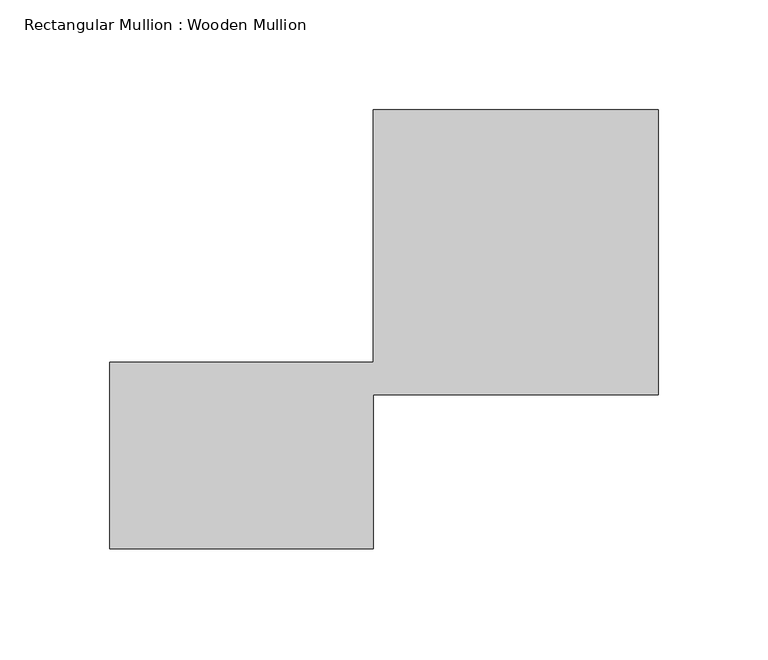
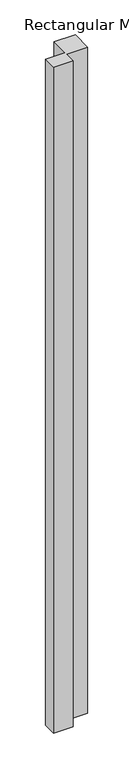
"""IFC4 building model written with IfcOpenShell, lengths in millimetres: member geometry, Rectangular Mullion : Wooden Mullion."""

from ifc_helpers import new_model, si_unit, frame, origin, place, context, project, spatial, polyline, outline, extrude, source, transform, mapped, element, save


def rectangular_mullion_wooden_mullion_207b5aee(model_context):
    return source(origin(), model_context, "Body", "SweptSolid", [
        extrude(outline(polyline([(74.8100006, -26.0137344), (-45.1899994, -26.0137344), (-45.1899994, 58.9862656), (74.8100006, 58.9862656), (74.8100006, 173.9862656), (204.8100006, 173.9862656), (204.8100006, 43.9862656), (74.8100006, 43.9862656), (74.8100006, -26.0137344)])), frame((0.0, 0.0, -4319.7709844), z_axis=(0.0, 0.0, 1.0), x_axis=(1.0, 0.0, 0.0)), (0.0, 0.0, 1.0), 4319.7709844),
    ])


if __name__ == "__main__":
    model = new_model("IFC4")
    model_context = context("Model", 3, world=origin())
    ifc_project = project(units=[si_unit("LENGTHUNIT", "METRE", prefix="MILLI")], contexts=[model_context])
    site = spatial("IfcSite", under=ifc_project)
    building = spatial("IfcBuilding", under=site)
    placement = place(None, origin())
    rectangular_mullion_wooden_mullion_shape = rectangular_mullion_wooden_mullion_207b5aee(model_context)
    element("IfcMember", 1, ObjectType="Rectangular Mullion : Wooden Mullion", at=placement, inside=building, context=model_context, shape_type="MappedRepresentation", body=[
        mapped(rectangular_mullion_wooden_mullion_shape, transform((0.0, 0.0, 0.0), x_axis=(1.0, 0.0, 0.0), y_axis=(0.0, 1.0, 0.0), z_axis=(0.0, 0.0, 1.0))),
    ])
    save(model, "model.ifc")
